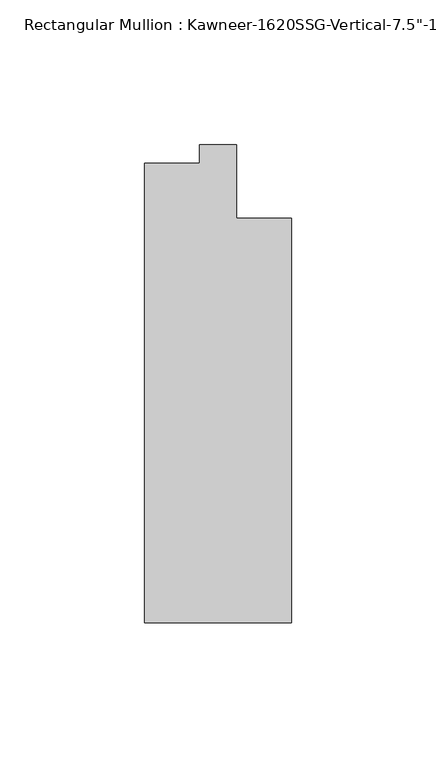
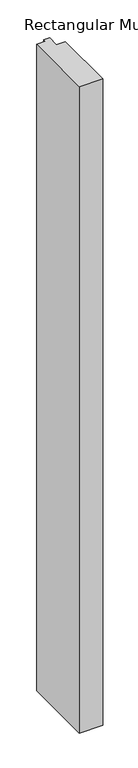
"""IFC4 building model written with IfcOpenShell, lengths in millimetres: member geometry."""

from ifc_helpers import new_model, si_unit, frame, origin, place, context, project, spatial, polyline, outline, extrude, source, transform, mapped, element, save


def member_a0a6e81a(model_context):
    return source(origin(), model_context, "Body", "SweptSolid", [
        extrude(outline(polyline([(25.4, -161.925), (-25.4, -161.925), (-25.4, -3.175), (-6.35, -3.175), (-6.35, 3.175), (6.35, 3.175), (6.35, -22.225), (25.4, -22.225), (25.4, -161.925)])), frame((0.0, 0.0, -1473.2), z_axis=(0.0, 0.0, 1.0), x_axis=(1.0, 0.0, 0.0)), (0.0, 0.0, 1.0), 1473.2),
    ])


if __name__ == "__main__":
    model = new_model("IFC4")
    model_context = context("Model", 3, world=origin())
    ifc_project = project(units=[si_unit("LENGTHUNIT", "METRE", prefix="MILLI")], contexts=[model_context])
    site = spatial("IfcSite", under=ifc_project)
    building = spatial("IfcBuilding", under=site)
    placement = place(None, origin())
    member_shape = member_a0a6e81a(model_context)
    element("IfcMember", 1, ObjectType="Rectangular Mullion : Kawneer-1620SSG-Vertical-7.5\"-1/4\"_1\"Infill", at=placement, inside=building, context=model_context, shape_type="MappedRepresentation", body=[
        mapped(member_shape, transform((0.0, 0.0, 0.0), x_axis=(1.0, 0.0, 0.0), y_axis=(0.0, 1.0, 0.0), z_axis=(0.0, 0.0, 1.0))),
    ])
    save(model, "model.ifc")
